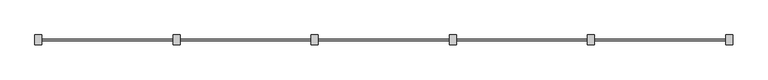
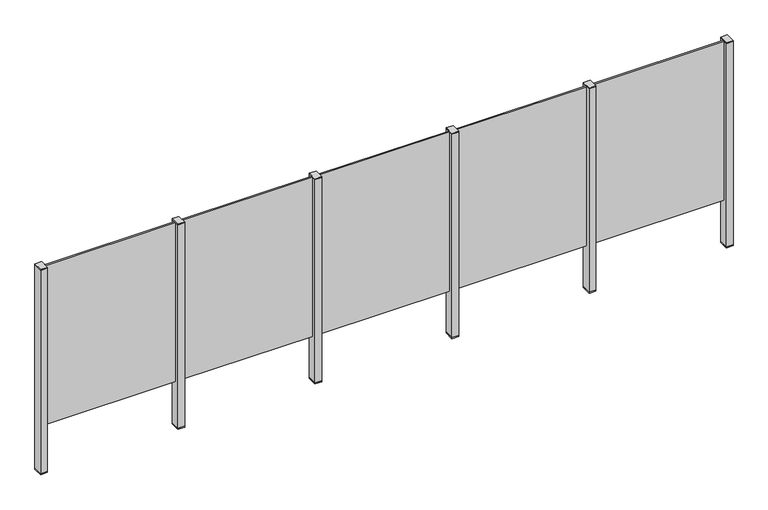
"""IFC4 building model written with IfcOpenShell, lengths in millimetres: railing geometry."""

from ifc_helpers import new_model, si_unit, frame, origin, place, context, project, spatial, polyline, outline, extrude, source, transform, mapped, element, save


def railing_6080e029(model_context):
    return source(origin(), model_context, "Body", "SweptSolid", [
        extrude(outline(polyline([(81610.0, 4861.9094929), (81610.0, 4871.9094929), (82490.0, 4871.9094929), (82490.0, 4861.9094929), (81610.0, 4861.9094929)])), frame((0.0, 0.0, 95.0), z_axis=(0.0, 0.0, 1.0), x_axis=(1.0, 0.0, 0.0)), (0.0, 0.0, 1.0), 1105.0),
        extrude(outline(polyline([(81622.5, 4900.1846828), (81622.5, 4835.1846828), (81577.5, 4835.1846828), (81577.5, 4900.1846828), (81622.5, 4900.1846828)])), frame((0.0, 0.0, 1200.0), z_axis=(0.0, 0.0, 1.0), x_axis=(1.0, 0.0, 0.0)), (0.0, 0.0, 1.0), 5.0),
        extrude(outline(polyline([(81622.5, 4900.1846828), (81622.5, 4835.1846828), (81577.5, 4835.1846828), (81577.5, 4900.1846828), (81622.5, 4900.1846828)])), frame((0.0, 0.0, -212.0), z_axis=(0.0, 0.0, 1.0), x_axis=(1.0, 0.0, 0.0)), (0.0, 0.0, 1.0), 1412.0),
        extrude(outline(polyline([(81622.5, 4900.1846828), (81622.5, 4835.1846828), (81577.5, 4835.1846828), (81577.5, 4900.1846828), (81622.5, 4900.1846828)])), frame((0.0, 0.0, -220.0), z_axis=(0.0, 0.0, 1.0), x_axis=(1.0, 0.0, 0.0)), (0.0, 0.0, 1.0), 8.0),
        extrude(outline(polyline([(80710.0, 4861.9094929), (80710.0, 4871.9094929), (81590.0, 4871.9094929), (81590.0, 4861.9094929), (80710.0, 4861.9094929)])), frame((0.0, 0.0, 95.0), z_axis=(0.0, 0.0, 1.0), x_axis=(1.0, 0.0, 0.0)), (0.0, 0.0, 1.0), 1105.0),
        extrude(outline(polyline([(80722.5, 4900.1846828), (80722.5, 4835.1846828), (80677.5, 4835.1846828), (80677.5, 4900.1846828), (80722.5, 4900.1846828)])), frame((0.0, 0.0, 1200.0), z_axis=(0.0, 0.0, 1.0), x_axis=(1.0, 0.0, 0.0)), (0.0, 0.0, 1.0), 5.0),
        extrude(outline(polyline([(80722.5, 4900.1846828), (80722.5, 4835.1846828), (80677.5, 4835.1846828), (80677.5, 4900.1846828), (80722.5, 4900.1846828)])), frame((0.0, 0.0, -212.0), z_axis=(0.0, 0.0, 1.0), x_axis=(1.0, 0.0, 0.0)), (0.0, 0.0, 1.0), 1412.0),
        extrude(outline(polyline([(80722.5, 4900.1846828), (80722.5, 4835.1846828), (80677.5, 4835.1846828), (80677.5, 4900.1846828), (80722.5, 4900.1846828)])), frame((0.0, 0.0, -220.0), z_axis=(0.0, 0.0, 1.0), x_axis=(1.0, 0.0, 0.0)), (0.0, 0.0, 1.0), 8.0),
        extrude(outline(polyline([(79810.0, 4861.9094929), (79810.0, 4871.9094929), (80690.0, 4871.9094929), (80690.0, 4861.9094929), (79810.0, 4861.9094929)])), frame((0.0, 0.0, 95.0), z_axis=(0.0, 0.0, 1.0), x_axis=(1.0, 0.0, 0.0)), (0.0, 0.0, 1.0), 1105.0),
        extrude(outline(polyline([(79822.5, 4900.1846828), (79822.5, 4835.1846828), (79777.5, 4835.1846828), (79777.5, 4900.1846828), (79822.5, 4900.1846828)])), frame((0.0, 0.0, 1200.0), z_axis=(0.0, 0.0, 1.0), x_axis=(1.0, 0.0, 0.0)), (0.0, 0.0, 1.0), 5.0),
        extrude(outline(polyline([(79822.5, 4900.1846828), (79822.5, 4835.1846828), (79777.5, 4835.1846828), (79777.5, 4900.1846828), (79822.5, 4900.1846828)])), frame((0.0, 0.0, -212.0), z_axis=(0.0, 0.0, 1.0), x_axis=(1.0, 0.0, 0.0)), (0.0, 0.0, 1.0), 1412.0),
        extrude(outline(polyline([(79822.5, 4900.1846828), (79822.5, 4835.1846828), (79777.5, 4835.1846828), (79777.5, 4900.1846828), (79822.5, 4900.1846828)])), frame((0.0, 0.0, -220.0), z_axis=(0.0, 0.0, 1.0), x_axis=(1.0, 0.0, 0.0)), (0.0, 0.0, 1.0), 8.0),
        extrude(outline(polyline([(78910.0, 4861.9094929), (78910.0, 4871.9094929), (79790.0, 4871.9094929), (79790.0, 4861.9094929), (78910.0, 4861.9094929)])), frame((0.0, 0.0, 95.0), z_axis=(0.0, 0.0, 1.0), x_axis=(1.0, 0.0, 0.0)), (0.0, 0.0, 1.0), 1105.0),
        extrude(outline(polyline([(78922.5, 4900.1846828), (78922.5, 4835.1846828), (78877.5, 4835.1846828), (78877.5, 4900.1846828), (78922.5, 4900.1846828)])), frame((0.0, 0.0, 1200.0), z_axis=(0.0, 0.0, 1.0), x_axis=(1.0, 0.0, 0.0)), (0.0, 0.0, 1.0), 5.0),
        extrude(outline(polyline([(78922.5, 4900.1846828), (78922.5, 4835.1846828), (78877.5, 4835.1846828), (78877.5, 4900.1846828), (78922.5, 4900.1846828)])), frame((0.0, 0.0, -212.0), z_axis=(0.0, 0.0, 1.0), x_axis=(1.0, 0.0, 0.0)), (0.0, 0.0, 1.0), 1412.0),
        extrude(outline(polyline([(78922.5, 4900.1846828), (78922.5, 4835.1846828), (78877.5, 4835.1846828), (78877.5, 4900.1846828), (78922.5, 4900.1846828)])), frame((0.0, 0.0, -220.0), z_axis=(0.0, 0.0, 1.0), x_axis=(1.0, 0.0, 0.0)), (0.0, 0.0, 1.0), 8.0),
        extrude(outline(polyline([(78010.0, 4861.9094929), (78010.0, 4871.9094929), (78890.0, 4871.9094929), (78890.0, 4861.9094929), (78010.0, 4861.9094929)])), frame((0.0, 0.0, 95.0), z_axis=(0.0, 0.0, 1.0), x_axis=(1.0, 0.0, 0.0)), (0.0, 0.0, 1.0), 1105.0),
        extrude(outline(polyline([(82522.5, 4900.1846828), (82522.5, 4835.1846828), (82477.5, 4835.1846828), (82477.5, 4900.1846828), (82522.5, 4900.1846828)])), frame((0.0, 0.0, 1200.0), z_axis=(0.0, 0.0, 1.0), x_axis=(1.0, 0.0, 0.0)), (0.0, 0.0, 1.0), 5.0),
        extrude(outline(polyline([(82522.5, 4900.1846828), (82522.5, 4835.1846828), (82477.5, 4835.1846828), (82477.5, 4900.1846828), (82522.5, 4900.1846828)])), frame((0.0, 0.0, -212.0), z_axis=(0.0, 0.0, 1.0), x_axis=(1.0, 0.0, 0.0)), (0.0, 0.0, 1.0), 1412.0),
        extrude(outline(polyline([(82522.5, 4900.1846828), (82522.5, 4835.1846828), (82477.5, 4835.1846828), (82477.5, 4900.1846828), (82522.5, 4900.1846828)])), frame((0.0, 0.0, -220.0), z_axis=(0.0, 0.0, 1.0), x_axis=(1.0, 0.0, 0.0)), (0.0, 0.0, 1.0), 8.0),
        extrude(outline(polyline([(78022.5, 4900.1846828), (78022.5, 4835.1846828), (77977.5, 4835.1846828), (77977.5, 4900.1846828), (78022.5, 4900.1846828)])), frame((0.0, 0.0, 1200.0), z_axis=(0.0, 0.0, 1.0), x_axis=(1.0, 0.0, 0.0)), (0.0, 0.0, 1.0), 5.0),
        extrude(outline(polyline([(78022.5, 4900.1846828), (78022.5, 4835.1846828), (77977.5, 4835.1846828), (77977.5, 4900.1846828), (78022.5, 4900.1846828)])), frame((0.0, 0.0, -212.0), z_axis=(0.0, 0.0, 1.0), x_axis=(1.0, 0.0, 0.0)), (0.0, 0.0, 1.0), 1412.0),
        extrude(outline(polyline([(78022.5, 4900.1846828), (78022.5, 4835.1846828), (77977.5, 4835.1846828), (77977.5, 4900.1846828), (78022.5, 4900.1846828)])), frame((0.0, 0.0, -220.0), z_axis=(0.0, 0.0, 1.0), x_axis=(1.0, 0.0, 0.0)), (0.0, 0.0, 1.0), 8.0),
    ])


if __name__ == "__main__":
    model = new_model("IFC4")
    model_context = context("Model", 3, world=origin())
    ifc_project = project(units=[si_unit("LENGTHUNIT", "METRE", prefix="MILLI")], contexts=[model_context])
    site = spatial("IfcSite", under=ifc_project)
    building = spatial("IfcBuilding", under=site)
    placement = place(None, origin())
    railing_shape = railing_6080e029(model_context)
    element("IfcRailing", 1, at=placement, inside=building, context=model_context, shape_type="MappedRepresentation", body=[
        mapped(railing_shape, transform((0.0, 0.0, 0.0), x_axis=(1.0, 0.0, 0.0), y_axis=(0.0, 1.0, 0.0), z_axis=(0.0, 0.0, 1.0))),
    ])
    save(model, "model.ifc")
